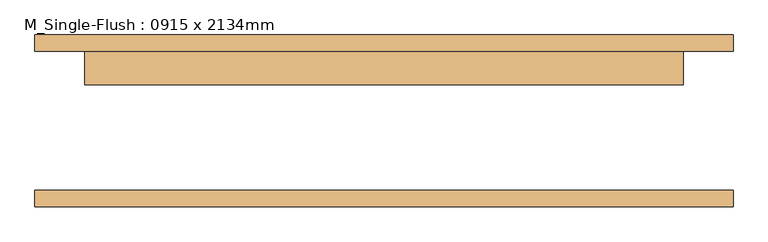
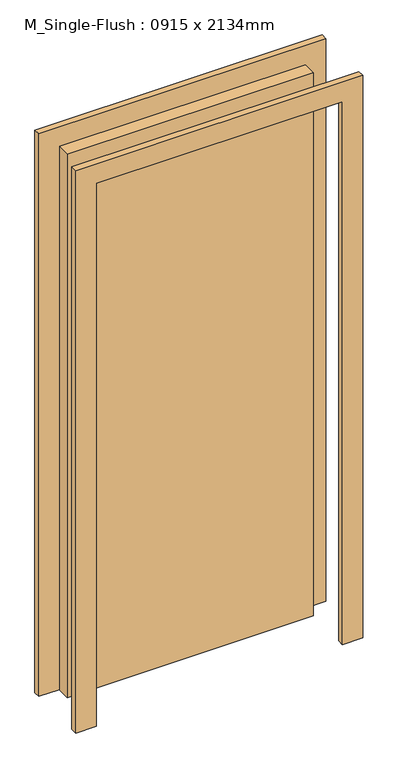
"""IFC4 building model written with IfcOpenShell, lengths in millimetres: door geometry, M_Single-Flush : 0915 x 2134mm."""

import ifcopenshell
import ifcopenshell.guid

model = None  # the IFC model being written
_history = None  # IfcOwnerHistory: only IFC2X3 demands one
_inside = {}  # id of a spatial element -> (the spatial element, [elements in it])
_under = {}  # id of a project, library or spatial element -> (it, [spatial elements below it])
_declared = {}  # id of a project -> (the project, [libraries it declares])
_typed = {}  # id of a type object -> (the type object, [elements of that type])
_made_of = {}  # id of a material, layer set ... -> (it, [elements and type objects made of it])


def new_model(schema):
    """Start an empty IFC model of exactly this schema.

    Asked for "IFC4X3", IfcOpenShell would pick the latest addendum, in which some entities
    have other attributes; the version numbers below select the first issue.
    IFC2X3 requires an IfcOwnerHistory on every rooted entity: one is made here for all.
    """
    global model, _history
    if schema == "IFC4X3":
        model = ifcopenshell.file(schema_version=(4, 3, 0, 0))
    else:
        model = ifcopenshell.file(schema=schema)
    _inside.clear()
    _under.clear()
    _declared.clear()
    _typed.clear()
    _made_of.clear()
    _history = None
    if model.schema == "IFC2X3":
        org = make("IfcOrganization", Name="unknown")
        user = make(
            "IfcPersonAndOrganization",
            ThePerson=make("IfcPerson", FamilyName="unknown"),
            TheOrganization=org,
        )
        app = make(
            "IfcApplication",
            ApplicationDeveloper=org,
            Version="unknown",
            ApplicationFullName="unknown",
            ApplicationIdentifier="unknown",
        )
        _history = make(
            "IfcOwnerHistory",
            OwningUser=user,
            OwningApplication=app,
            ChangeAction="ADDED",
            CreationDate=0,
        )
    return model


def make(cls, **values):
    """One entity of the class cls with the attributes given. An attribute that is None is left unset."""
    return model.create_entity(
        cls, **{name: value for name, value in values.items() if value is not None}
    )


def rooted(cls, **values):
    """An entity with a GlobalId (a new one), such as an element, a storey or a relation."""
    return make(cls, GlobalId=ifcopenshell.guid.new(), OwnerHistory=_history, **values)


def si_unit(unit_type, name, prefix=None):
    """IfcSIUnit, for example si_unit("LENGTHUNIT", "METRE", prefix="MILLI")."""
    return make("IfcSIUnit", UnitType=unit_type, Prefix=prefix, Name=name)


def assignment(units):
    """IfcUnitAssignment: the units of a project."""
    return None if units is None else make("IfcUnitAssignment", Units=units)


def point(xyz):
    """IfcCartesianPoint."""
    return None if xyz is None else make("IfcCartesianPoint", Coordinates=xyz)


def direction(xyz):
    """IfcDirection."""
    return None if xyz is None else make("IfcDirection", DirectionRatios=xyz)


def frame(location, z_axis=None, x_axis=None):
    """IfcAxis2Placement3D, a coordinate frame: its origin and axes. An axis left out is left unset."""
    return make(
        "IfcAxis2Placement3D",
        Location=point(location),
        Axis=direction(z_axis),
        RefDirection=direction(x_axis),
    )


def origin():
    """The frame at (0, 0, 0) with its axes left unset."""
    return frame((0.0, 0.0, 0.0))


def origin_with_axes():
    """The frame at (0, 0, 0) with the z axis (0, 0, 1) and the x axis (1, 0, 0) written out."""
    return frame((0.0, 0.0, 0.0), z_axis=(0.0, 0.0, 1.0), x_axis=(1.0, 0.0, 0.0))


def place(relative_to, where):
    """IfcLocalPlacement: puts the frame where relative to a parent placement (None: the world)."""
    return make(
        "IfcLocalPlacement", PlacementRelTo=relative_to, RelativePlacement=where
    )


def context(
    kind, dimensions, precision=None, world=None, true_north=None, identifier=None
):
    """IfcGeometricRepresentationContext, for example the 3D "Model" context."""
    return make(
        "IfcGeometricRepresentationContext",
        ContextIdentifier=identifier,
        ContextType=kind,
        CoordinateSpaceDimension=dimensions,
        Precision=precision,
        WorldCoordinateSystem=world,
        TrueNorth=true_north,
    )


def project(units=None, contexts=None):
    """IfcProject with its units and contexts."""
    return rooted(
        "IfcProject",
        Name="project",
        RepresentationContexts=contexts,
        UnitsInContext=assignment(units),
    )


def spatial(cls, under=None, at=None, **own):
    """A site, building, storey or space (cls), placed at a placement, below another one or the project."""
    s = rooted(cls, ObjectPlacement=at, **own)
    if under is not None:
        _under.setdefault(under.id(), (under, []))[1].append(s)
    return s


def polyline(points):
    """IfcPolyline through the points."""
    return make("IfcPolyline", Points=[point(p) for p in points])


def outline(outer, holes=None, kind="AREA"):
    """IfcArbitraryClosedProfileDef: a profile drawn as a closed curve; with holes, ...WithVoids."""
    if holes is None:
        return make("IfcArbitraryClosedProfileDef", ProfileType=kind, OuterCurve=outer)
    return make(
        "IfcArbitraryProfileDefWithVoids",
        ProfileType=kind,
        OuterCurve=outer,
        InnerCurves=holes,
    )


def extrude(swept, where, along, depth):
    """IfcExtrudedAreaSolid: the profile swept, set in the frame where, extruded along a direction by depth."""
    return make(
        "IfcExtrudedAreaSolid",
        SweptArea=swept,
        Position=where,
        ExtrudedDirection=direction(along),
        Depth=depth,
    )


def shape(context_of_items, identifier, shape_type, items):
    """IfcShapeRepresentation: the items that make up one representation, for example the "Body"."""
    return make(
        "IfcShapeRepresentation",
        ContextOfItems=context_of_items,
        RepresentationIdentifier=identifier,
        RepresentationType=shape_type,
        Items=items,
    )


def source(mapping_origin, context_of_items, identifier, shape_type, items):
    """IfcRepresentationMap: a shape defined once, which mapped items show again and again."""
    return make(
        "IfcRepresentationMap",
        MappingOrigin=mapping_origin,
        MappedRepresentation=shape(context_of_items, identifier, shape_type, items),
    )


def transform(
    local_origin,
    x_axis=None,
    y_axis=None,
    z_axis=None,
    scale=None,
    scale2=None,
    scale3=None,
    uniform=True,
):
    """IfcCartesianTransformationOperator3D, or its non-uniform kind. x_axis, y_axis, z_axis: its Axis1, 2, 3."""
    if uniform:
        return make(
            "IfcCartesianTransformationOperator3D",
            Axis1=direction(x_axis),
            Axis2=direction(y_axis),
            LocalOrigin=point(local_origin),
            Scale=scale,
            Axis3=direction(z_axis),
        )
    return make(
        "IfcCartesianTransformationOperator3DnonUniform",
        Axis1=direction(x_axis),
        Axis2=direction(y_axis),
        LocalOrigin=point(local_origin),
        Scale=scale,
        Axis3=direction(z_axis),
        Scale2=scale2,
        Scale3=scale3,
    )


def mapped(mapping_source, mapping_target):
    """IfcMappedItem: shows the shape of a source again, moved by a transform."""
    return make(
        "IfcMappedItem", MappingSource=mapping_source, MappingTarget=mapping_target
    )


def made_of(thing, what):
    """Note that an element or type object is made of a material, layer set ...; save() writes the relation."""
    if what is not None:
        _made_of.setdefault(what.id(), (what, []))[1].append(thing)
    return thing


def element(
    cls,
    number,
    at=None,
    inside=None,
    cuts=None,
    type_object=None,
    material=None,
    context=None,
    identifier="Body",
    shape_type=None,
    held_by="IfcProductDefinitionShape",
    body=None,
    shapes=None,
    **own,
):
    """One element of the class cls, such as IfcWall. Its Tag is "e" and its number.

    at: its placement. inside: the storey or other place that contains it. cuts: it is an
    opening in that element (IfcRelVoidsElement). A single representation is given by context,
    identifier, shape_type and body (its items); several are given by shapes. held_by: the class
    of the entity that holds the representations. save() writes the other relations.
    """
    e = rooted(cls, Tag="e%d" % number, ObjectPlacement=at, **own)
    if body is not None:
        shapes = [shape(context, identifier, shape_type, body)]
    if shapes is not None:
        e.Representation = make(held_by, Representations=shapes)
    if inside is not None:
        _inside.setdefault(inside.id(), (inside, []))[1].append(e)
    if cuts is not None:
        rooted(
            "IfcRelVoidsElement", RelatingBuildingElement=cuts, RelatedOpeningElement=e
        )
    if type_object is not None:
        _typed.setdefault(type_object.id(), (type_object, []))[1].append(e)
    return made_of(e, material)


def aggregate(whole, parts):
    """IfcRelAggregates: a whole, such as a stair, and the parts it consists of."""
    return rooted("IfcRelAggregates", RelatingObject=whole, RelatedObjects=parts)


def save(model, path):
    """Write the relations noted so far, then the file.

    IfcRelAggregates (storeys below a building ...), IfcRelContainedInSpatialStructure (elements
    in a storey), IfcRelDefinesByType, IfcRelAssociatesMaterial and IfcRelDeclares: one each for
    every whole, place, type object, material and project.
    """
    for whole, parts in _under.values():
        aggregate(whole, parts)
    for where, things in _inside.values():
        rooted(
            "IfcRelContainedInSpatialStructure",
            RelatedElements=things,
            RelatingStructure=where,
        )
    for kind, things in _typed.values():
        rooted("IfcRelDefinesByType", RelatedObjects=things, RelatingType=kind)
    for what, things in _made_of.values():
        rooted("IfcRelAssociatesMaterial", RelatedObjects=things, RelatingMaterial=what)
    for by, libraries in _declared.values():
        rooted("IfcRelDeclares", RelatingContext=by, RelatedDefinitions=libraries)
    model.write(path)


def m_single_flush_0915_x_2134mm_9fa8bfda(model_context):
    return source(origin(), model_context, "Body", "SweptSolid", [
        extrude(outline(polyline([(2210.0, -533.5), (0.0, -533.5), (0.0, -457.5), (2134.0, -457.5), (2134.0, 457.5), (0.0, 457.5), (0.0, 533.5), (2210.0, 533.5), (2210.0, -533.5)])), frame((0.0, 106.25, 0.0), z_axis=(0.0, 1.0, 0.0), x_axis=(0.0, 0.0, 1.0)), (0.0, 0.0, 1.0), 25.0),
        extrude(outline(polyline([(2210.0, 533.5), (2210.0, -533.5), (0.0, -533.5), (0.0, -457.5), (2134.0, -457.5), (2134.0, 457.5), (0.0, 457.5), (0.0, 533.5), (2210.0, 533.5)])), frame((0.0, -131.25, 0.0), z_axis=(0.0, 1.0, 0.0), x_axis=(0.0, 0.0, 1.0)), (0.0, 0.0, 1.0), 25.0),
        extrude(outline(polyline([(457.5, 55.25), (-457.5, 55.25), (-457.5, 106.25), (457.5, 106.25), (457.5, 55.25)])), origin_with_axes(), (0.0, 0.0, 1.0), 2134.0),
    ])


if __name__ == "__main__":
    model = new_model("IFC4")
    model_context = context("Model", 3, world=origin())
    ifc_project = project(units=[si_unit("LENGTHUNIT", "METRE", prefix="MILLI")], contexts=[model_context])
    site = spatial("IfcSite", under=ifc_project)
    building = spatial("IfcBuilding", under=site)
    placement = place(None, origin())
    m_single_flush_0915_x_2134mm_shape = m_single_flush_0915_x_2134mm_9fa8bfda(model_context)
    element("IfcDoor", 1, ObjectType="M_Single-Flush : 0915 x 2134mm", at=placement, inside=building, context=model_context, shape_type="MappedRepresentation", body=[
        mapped(m_single_flush_0915_x_2134mm_shape, transform((0.0, 0.0, 0.0), x_axis=(1.0, 0.0, 0.0), y_axis=(0.0, 1.0, 0.0), z_axis=(0.0, 0.0, 1.0))),
    ])
    save(model, "model.ifc")
